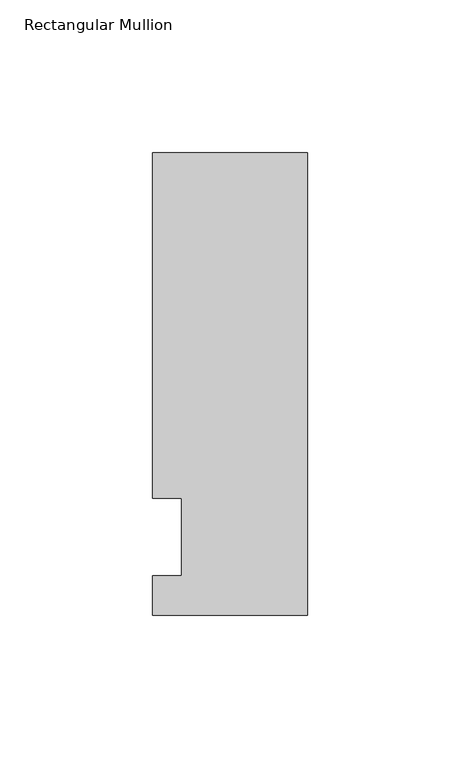
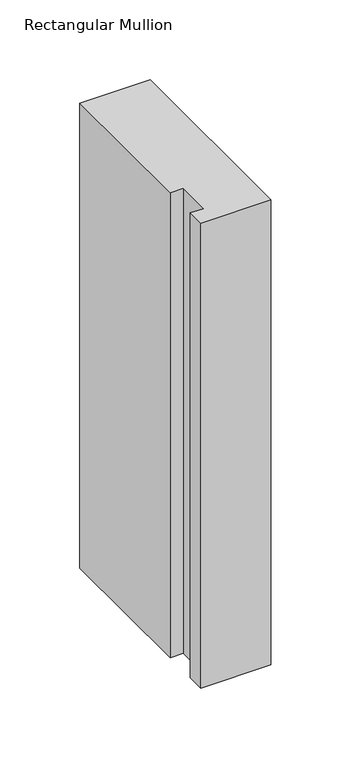
"""IFC4 building model written with IfcOpenShell, lengths in millimetres: member geometry, Rectangular Mullion."""

from ifc_helpers import new_model, si_unit, frame, origin, place, context, project, spatial, polyline, outline, extrude, source, transform, mapped, element, save


def rectangular_mullion_c73e0312(model_context):
    return source(origin(), model_context, "Body", "SweptSolid", [
        extrude(outline(polyline([(-50.8, -25.5827379), (-50.8, -12.7), (-41.275, -12.7), (-41.275, 12.7), (-50.8, 12.7), (-50.8, 125.8533), (0.0, 125.8533), (0.0, -25.5827379), (-50.8, -25.5827379)])), frame((0.0, 0.0, -355.6), z_axis=(0.0, 0.0, 1.0), x_axis=(1.0, 0.0, 0.0)), (0.0, 0.0, 1.0), 355.6),
    ])


if __name__ == "__main__":
    model = new_model("IFC4")
    model_context = context("Model", 3, world=origin())
    ifc_project = project(units=[si_unit("LENGTHUNIT", "METRE", prefix="MILLI")], contexts=[model_context])
    site = spatial("IfcSite", under=ifc_project)
    building = spatial("IfcBuilding", under=site)
    placement = place(None, origin())
    rectangular_mullion_shape = rectangular_mullion_c73e0312(model_context)
    element("IfcMember", 1, ObjectType="Rectangular Mullion", at=placement, inside=building, context=model_context, shape_type="MappedRepresentation", body=[
        mapped(rectangular_mullion_shape, transform((0.0, 0.0, 0.0), x_axis=(1.0, 0.0, 0.0), y_axis=(0.0, 1.0, 0.0), z_axis=(0.0, 0.0, 1.0))),
    ])
    save(model, "model.ifc")
